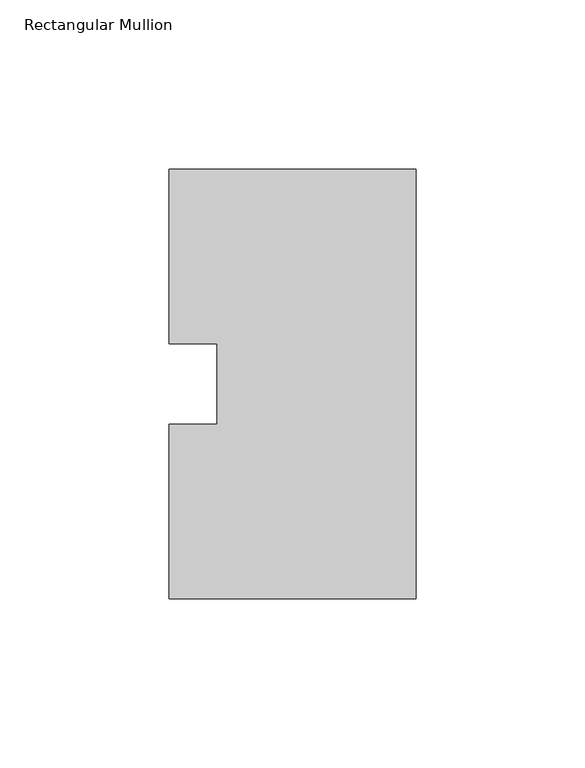
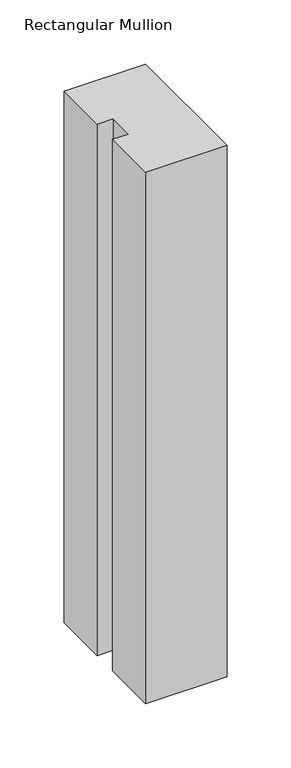
"""IFC4 building model written with IfcOpenShell, lengths in millimetres: member geometry, Rectangular Mullion."""

from ifc_helpers import new_model, si_unit, frame, origin, place, context, project, spatial, polyline, outline, extrude, source, transform, mapped, element, save


def rectangular_mullion_3640ea06(model_context):
    return source(origin(), model_context, "Body", "SweptSolid", [
        extrude(outline(polyline([(0.0, 127.00635), (0.0, 0.00635), (-73.025, 0.00635), (-73.025, 51.60645), (-58.7375, 51.60645), (-58.7375, 75.40625), (-73.025, 75.40625), (-73.025, 127.00635), (0.0, 127.00635)])), frame((0.0, 0.0, -504.825), z_axis=(0.0, 0.0, 1.0), x_axis=(1.0, 0.0, 0.0)), (0.0, 0.0, 1.0), 504.825),
    ])


if __name__ == "__main__":
    model = new_model("IFC4")
    model_context = context("Model", 3, world=origin())
    ifc_project = project(units=[si_unit("LENGTHUNIT", "METRE", prefix="MILLI")], contexts=[model_context])
    site = spatial("IfcSite", under=ifc_project)
    building = spatial("IfcBuilding", under=site)
    placement = place(None, origin())
    rectangular_mullion_shape = rectangular_mullion_3640ea06(model_context)
    element("IfcMember", 1, ObjectType="Rectangular Mullion", at=placement, inside=building, context=model_context, shape_type="MappedRepresentation", body=[
        mapped(rectangular_mullion_shape, transform((0.0, 0.0, 0.0), x_axis=(1.0, 0.0, 0.0), y_axis=(0.0, 1.0, 0.0), z_axis=(0.0, 0.0, 1.0))),
    ])
    save(model, "model.ifc")
